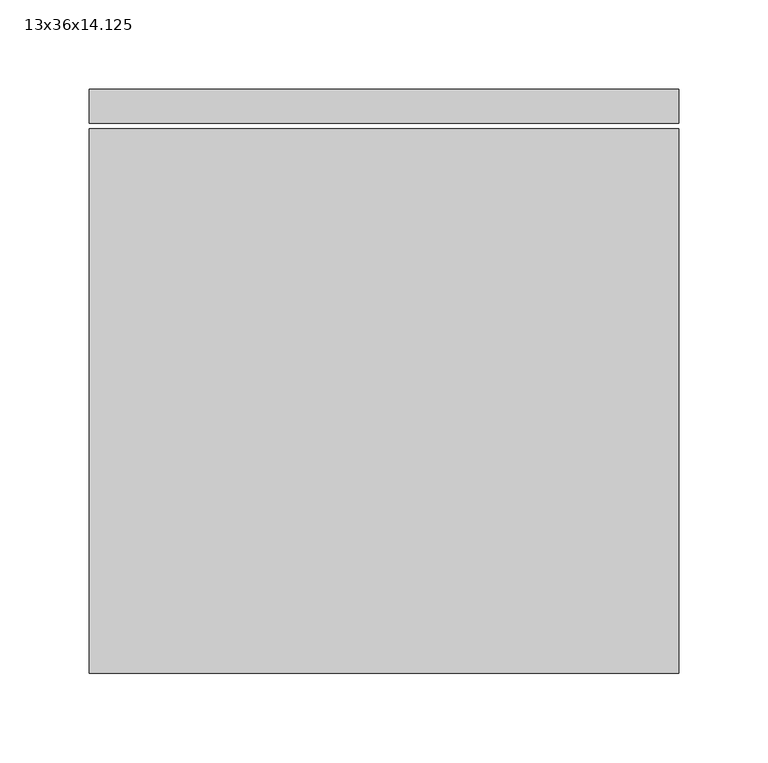
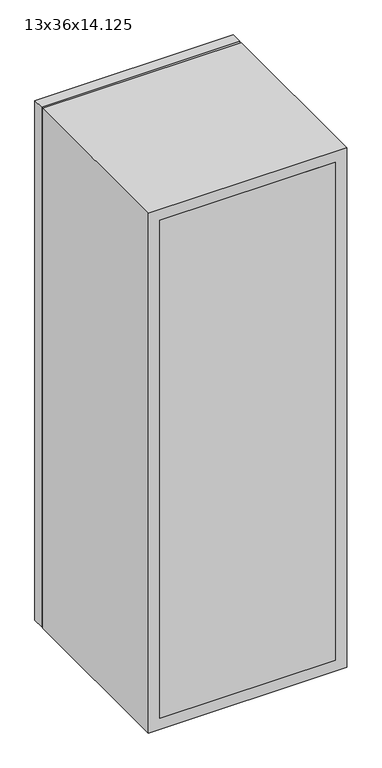
"""IFC4 building model written with IfcOpenShell, lengths in millimetres: furniture geometry, 13x36x14.125."""

from ifc_helpers import new_model, si_unit, frame, origin, place, context, project, spatial, polyline, outline, extrude, source, transform, mapped, element, save


def furniture_13x36x14_125_a496fc39(model_context):
    return source(origin(), model_context, "Body", "SweptSolid", [
        extrude(outline(polyline([(175.8211628, 82.55), (-116.2788372, 82.55), (-116.2788372, 101.6), (175.8211628, 101.6), (175.8211628, 82.55)])), frame((0.0, 0.0, 1238.25), z_axis=(0.0, 0.0, 1.0), x_axis=(1.0, 0.0, 0.0)), (0.0, 0.0, 1.0), 876.3),
        extrude(outline(polyline([(2133.6, -135.3288372), (1219.2, -135.3288372), (1219.2, 194.8711628), (2133.6, 194.8711628), (2133.6, -135.3288372)]), holes=[polyline([(2114.55, -116.2788372), (2114.55, 175.8211628), (1238.25, 175.8211628), (1238.25, -116.2788372), (2114.55, -116.2788372)])]), frame((0.0, 82.55, 0.0), z_axis=(0.0, 1.0, 0.0), x_axis=(0.0, 0.0, 1.0)), (0.0, 0.0, 1.0), 304.8),
        extrude(outline(polyline([(-135.3288372, 409.575), (194.8711628, 409.575), (194.8711628, 390.525), (-135.3288372, 390.525), (-135.3288372, 409.575)])), frame((0.0, 0.0, 1219.2), z_axis=(0.0, 0.0, 1.0), x_axis=(1.0, 0.0, 0.0)), (0.0, 0.0, 1.0), 914.4),
        extrude(outline(polyline([(175.8211628, 387.35), (175.8211628, 101.6), (-116.2788372, 101.6), (-116.2788372, 387.35), (175.8211628, 387.35)])), frame((0.0, 0.0, 1828.8), z_axis=(0.0, 0.0, 1.0), x_axis=(1.0, 0.0, 0.0)), (0.0, 0.0, 1.0), 19.05),
        extrude(outline(polyline([(175.8211628, 387.35), (175.8211628, 101.6), (-116.2788372, 101.6), (-116.2788372, 387.35), (175.8211628, 387.35)])), frame((0.0, 0.0, 1524.0), z_axis=(0.0, 0.0, 1.0), x_axis=(1.0, 0.0, 0.0)), (0.0, 0.0, 1.0), 19.05),
    ])


if __name__ == "__main__":
    model = new_model("IFC4")
    model_context = context("Model", 3, world=origin())
    ifc_project = project(units=[si_unit("LENGTHUNIT", "METRE", prefix="MILLI")], contexts=[model_context])
    site = spatial("IfcSite", under=ifc_project)
    building = spatial("IfcBuilding", under=site)
    placement = place(None, origin())
    furniture_13x36x14_125_shape = furniture_13x36x14_125_a496fc39(model_context)
    element("IfcFurniture", 1, ObjectType="13x36x14.125", at=placement, inside=building, context=model_context, shape_type="MappedRepresentation", body=[
        mapped(furniture_13x36x14_125_shape, transform((0.0, 0.0, 0.0), x_axis=(1.0, 0.0, 0.0), y_axis=(0.0, 1.0, 0.0), z_axis=(0.0, 0.0, 1.0))),
    ])
    save(model, "model.ifc")
